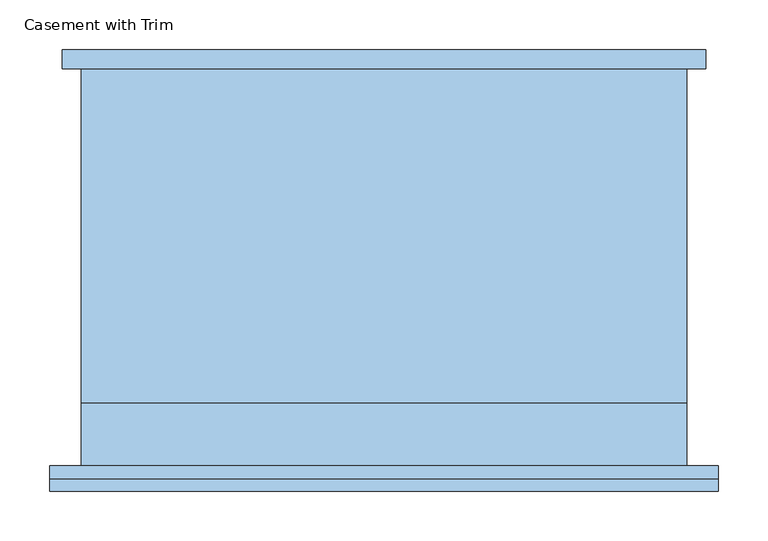
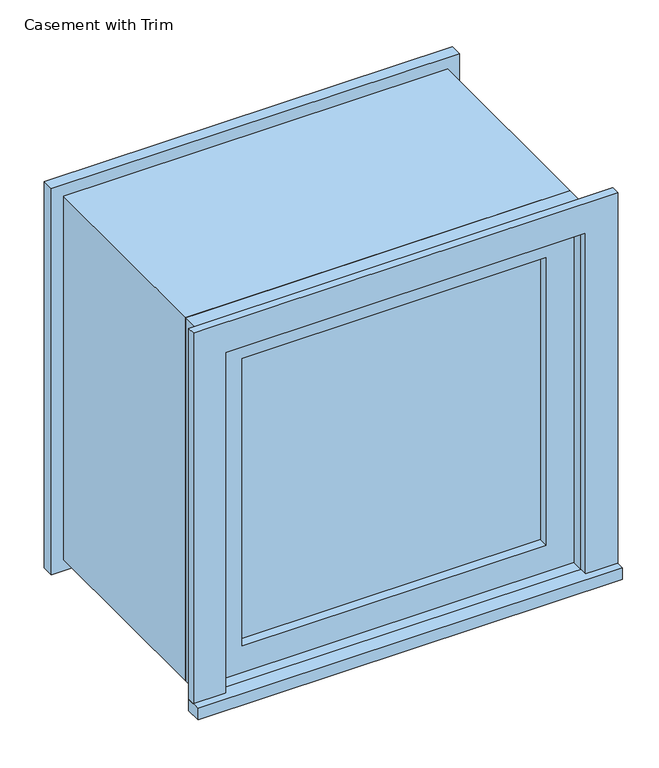
"""IFC4 building model written with IfcOpenShell, lengths in millimetres: window geometry, Casement with Trim."""

from ifc_helpers import new_model, si_unit, frame, origin, place, context, project, spatial, polyline, outline, extrude, source, transform, mapped, element, save


def casement_with_trim_cfdefc07(model_context):
    return source(origin(), model_context, "Body", "SweptSolid", [
        extrude(outline(polyline([(-336.55, -225.4), (-336.55, -200.0), (336.55, -200.0), (336.55, -225.4), (-336.55, -225.4)])), frame((0.0, 0.0, 914.4), z_axis=(0.0, 0.0, 1.0), x_axis=(1.0, 0.0, 0.0)), (0.0, 0.0, 1.0), 19.05),
        extrude(outline(polyline([(1504.95, -285.75), (1504.95, 285.75), (933.45, 285.75), (933.45, 336.55), (1555.75, 336.55), (1555.75, -336.55), (933.45, -336.55), (933.45, -285.75), (1504.95, -285.75)])), frame((0.0, -212.7, 0.0), z_axis=(0.0, 1.0, 0.0), x_axis=(0.0, 0.0, 1.0)), (0.0, 0.0, 1.0), 12.7),
        extrude(outline(polyline([(1543.05, 323.85), (1543.05, -323.85), (895.35, -323.85), (895.35, 323.85), (1543.05, 323.85)]), holes=[polyline([(1492.25, 273.05), (946.15, 273.05), (946.15, -273.05), (1492.25, -273.05), (1492.25, 273.05)])]), frame((0.0, 200.0, 0.0), z_axis=(0.0, 1.0, 0.0), x_axis=(0.0, 0.0, 1.0)), (0.0, 0.0, 1.0), 19.05),
        extrude(outline(polyline([(241.3, -152.375), (241.3, -165.075), (-241.3, -165.075), (-241.3, -152.375), (241.3, -152.375)])), frame((0.0, 0.0, 977.9), z_axis=(0.0, 0.0, 1.0), x_axis=(1.0, 0.0, 0.0)), (0.0, 0.0, 1.0), 482.6),
        extrude(outline(polyline([(1504.95, -285.75), (933.45, -285.75), (933.45, 285.75), (1504.95, 285.75), (1504.95, -285.75)]), holes=[polyline([(1460.5, -241.3), (1460.5, 241.3), (977.9, 241.3), (977.9, -241.3), (1460.5, -241.3)])]), frame((0.0, -180.95, 0.0), z_axis=(0.0, 1.0, 0.0), x_axis=(0.0, 0.0, 1.0)), (0.0, 0.0, 1.0), 44.45),
        extrude(outline(polyline([(1524.0, -304.8), (914.4, -304.8), (914.4, 304.8), (1524.0, 304.8), (1524.0, -304.8)]), holes=[polyline([(1492.25, -273.05), (1492.25, 273.05), (946.15, 273.05), (946.15, -273.05), (1492.25, -273.05)])]), frame((0.0, -136.5, 0.0), z_axis=(0.0, 1.0, 0.0), x_axis=(0.0, 0.0, 1.0)), (0.0, 0.0, 1.0), 336.5),
        extrude(outline(polyline([(1524.0, 304.8), (1524.0, -304.8), (914.4, -304.8), (914.4, 304.8), (1524.0, 304.8)]), holes=[polyline([(1504.95, 285.75), (933.45, 285.75), (933.45, -285.75), (1504.95, -285.75), (1504.95, 285.75)])]), frame((0.0, -200.0, 0.0), z_axis=(0.0, 1.0, 0.0), x_axis=(0.0, 0.0, 1.0)), (0.0, 0.0, 1.0), 63.5),
    ])


if __name__ == "__main__":
    model = new_model("IFC4")
    model_context = context("Model", 3, world=origin())
    ifc_project = project(units=[si_unit("LENGTHUNIT", "METRE", prefix="MILLI")], contexts=[model_context])
    site = spatial("IfcSite", under=ifc_project)
    building = spatial("IfcBuilding", under=site)
    placement = place(None, origin())
    casement_with_trim_shape = casement_with_trim_cfdefc07(model_context)
    element("IfcWindow", 1, ObjectType="Casement with Trim", at=placement, inside=building, context=model_context, shape_type="MappedRepresentation", body=[
        mapped(casement_with_trim_shape, transform((0.0, 0.0, 0.0), x_axis=(1.0, 0.0, 0.0), y_axis=(0.0, 1.0, 0.0), z_axis=(0.0, 0.0, 1.0))),
    ])
    save(model, "model.ifc")
